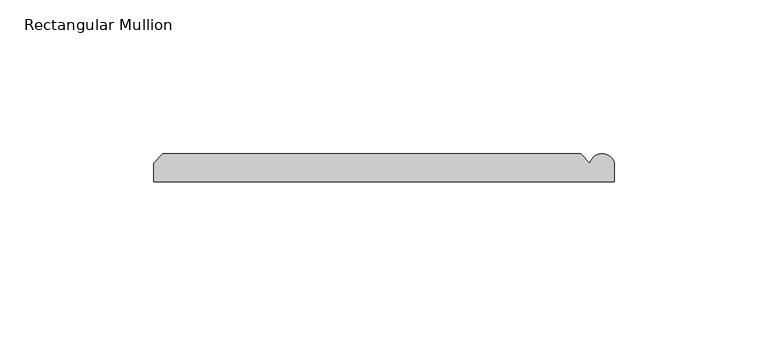
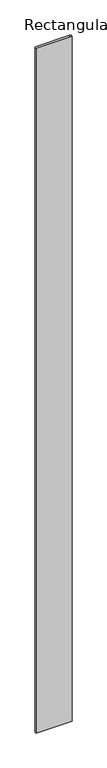
"""IFC4 building model written with IfcOpenShell, lengths in millimetres: member geometry, Rectangular Mullion."""

from ifc_helpers import new_model, si_unit, point, frame, frame_2d, origin, place, context, project, spatial, polyline, circle_curve, trimmed, segment, composite_curve, outline, extrude, source, transform, mapped, element, save


def rectangular_mullion_c01459bd(model_context):
    return source(origin(), model_context, "Body", "SweptSolid", [
        extrude(outline(composite_curve([segment(polyline([(63.9809918, 9.0), (66.9809918, 6.0)]), True, "CONTINUOUS"), segment(trimmed(circle_curve(frame_2d((70.9809918, 5.0)), 4.1231056), [point((66.9809918, 6.0))], [point((74.9809918, 6.0))], False, "CARTESIAN"), True, "CONTINUOUS"), segment(polyline([(74.9809918, 6.0), (74.9809918, 0.0), (-75.0190082, 0.0), (-75.0190082, 6.00681), (-72.0258182, 9.0), (63.9809918, 9.0)]), True, "CONTINUOUS")], self_intersect=False)), frame((0.0, 0.0, -3000.0), z_axis=(0.0, 0.0, 1.0), x_axis=(1.0, 0.0, 0.0)), (0.0, 0.0, 1.0), 3000.0),
    ])


if __name__ == "__main__":
    model = new_model("IFC4")
    model_context = context("Model", 3, world=origin())
    ifc_project = project(units=[si_unit("LENGTHUNIT", "METRE", prefix="MILLI")], contexts=[model_context])
    site = spatial("IfcSite", under=ifc_project)
    building = spatial("IfcBuilding", under=site)
    placement = place(None, origin())
    rectangular_mullion_shape = rectangular_mullion_c01459bd(model_context)
    element("IfcMember", 1, ObjectType="Rectangular Mullion", at=placement, inside=building, context=model_context, shape_type="MappedRepresentation", body=[
        mapped(rectangular_mullion_shape, transform((0.0, 0.0, 0.0), x_axis=(1.0, 0.0, 0.0), y_axis=(0.0, 1.0, 0.0), z_axis=(0.0, 0.0, 1.0))),
    ])
    save(model, "model.ifc")
